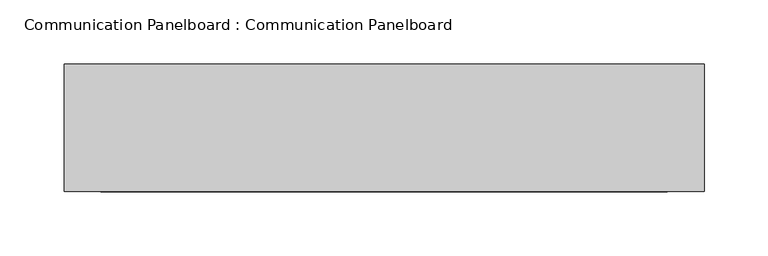
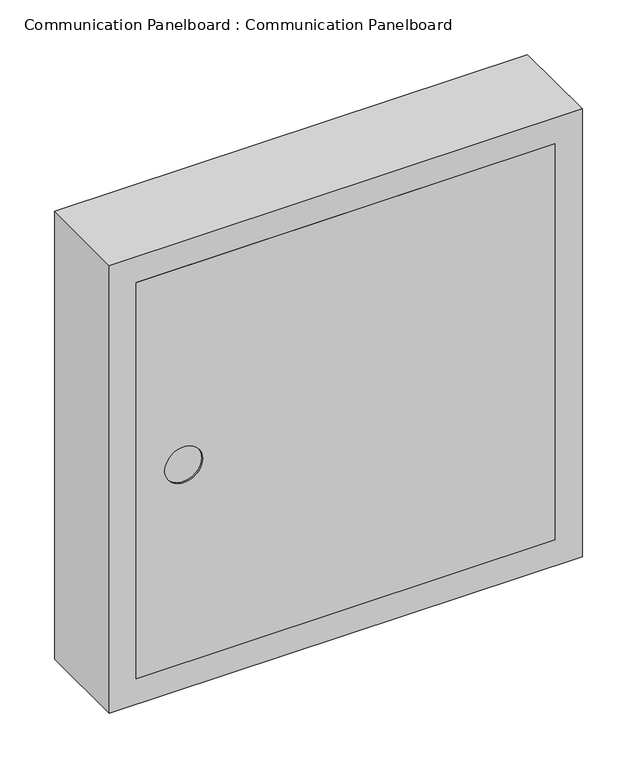
"""IFC4 building model written with IfcOpenShell, lengths in millimetres: proxy geometry, Communication Panelboard : Communication Panelboard."""

from ifc_helpers import new_model, si_unit, frame, origin, place, context, project, spatial, polyline, circle_curve, faceted_brep, source, transform, mapped, element, save
from ifc_brep_helpers import plane_surface, revolved_surface, advanced_brep


def communication_panelboard_communication_panelboard_db055738(model_context):
    return source(origin(), model_context, "Body", "SolidModel", [
        advanced_brep(
        [(221.275, -90.0, 471.0), (221.275, -90.0, 28.725), (-221.275, -90.0, 28.725), (-221.275, -90.0, 471.0), (221.275, -100.0, 471.0), (-221.275, -100.0, 471.0), (-221.275, -100.0, 28.725), (221.275, -100.0, 28.725), (-151.275, -100.0, 250.0), (-191.275, -100.0, 250.0), (-151.275, -98.0, 250.0), (-191.275, -98.0, 250.0)],
        [
            (0, 1),
            (1, 2),
            (2, 3),
            (3, 0),
            (4, 5),
            (5, 6),
            (6, 7),
            (7, 4),
            (8, 9, circle_curve(frame((-171.275, -100.0, 250.0), z_axis=(0.0, 1.0, 0.0), x_axis=(-1.0, 0.0, 0.0)), 20.0)),
            (9, 8, circle_curve(frame((-171.275, -100.0, 250.0), z_axis=(0.0, 1.0, 0.0), x_axis=(-1.0, 0.0, 0.0)), 20.0)),
            (3, 5),
            (4, 0),
            (2, 6),
            (1, 7),
            (10, 11, circle_curve(frame((-171.275, -98.0, 250.0), z_axis=(0.0, -1.0, 0.0), x_axis=(-1.0, 0.0, 0.0)), 20.0)),
            (11, 10, circle_curve(frame((-171.275, -98.0, 250.0), z_axis=(0.0, -1.0, 0.0), x_axis=(-1.0, 0.0, 0.0)), 20.0)),
            (11, 9),
            (8, 10),
        ],
        [
            plane_surface(frame((221.275, -90.0, 471.0), z_axis=(0.0, 1.0, 0.0), x_axis=(0.0, 0.0, -1.0))),
            plane_surface(frame((221.275, -100.0, 471.0), z_axis=(0.0, -1.0, 0.0), x_axis=(0.0, 0.0, 1.0))),
            plane_surface(frame((-221.275, -90.0, 471.0), z_axis=(0.0, 0.0, 1.0), x_axis=(0.0, -1.0, 0.0))),
            plane_surface(frame((-221.275, -90.0, 28.725), z_axis=(-1.0, 0.0, 0.0), x_axis=(0.0, -1.0, 0.0))),
            plane_surface(frame((221.275, -90.0, 28.725), z_axis=(0.0, 0.0, -1.0), x_axis=(0.0, -1.0, 0.0))),
            plane_surface(frame((221.275, -90.0, 471.0), z_axis=(1.0, 0.0, 0.0), x_axis=(0.0, -1.0, 0.0))),
            plane_surface(frame((-191.275, -98.0, 250.0), z_axis=(0.0, -1.0, 0.0), x_axis=(0.0, 0.0, 1.0))),
            revolved_surface(polyline([(-191.275, -98.0, 250.0), (-191.275, -100.0, 250.0)]), (-171.275, -100.0, 250.0), (0.0, 1.0, 0.0)),
        ],
        [
            (0, [[1, 2, 3, 4]]),
            (1, [[5, 6, 7, 8], [9, 10]]),
            (2, [[-4, 11, -5, 12]]),
            (3, [[-3, 13, -6, -11]]),
            (4, [[-2, 14, -7, -13]]),
            (5, [[-1, -12, -8, -14]]),
            (6, [[15, 16]]),
            (7, [[-16, 17, -9, 18]]),
            (7, [[-15, -18, -10, -17]]),
        ],
    ),
        faceted_brep([(250.0, 0.0, 500.0), (250.0, 0.0, 0.0), (-250.0, 0.0, 0.0), (-250.0, 0.0, 500.0), (250.0, -100.0, 500.0), (-250.0, -100.0, 500.0), (-250.0, -100.0, 0.0), (250.0, -100.0, 0.0), (221.275, -100.0, 471.0), (221.275, -100.0, 28.725), (-221.275, -100.0, 28.725), (-221.275, -100.0, 471.0), (221.275, -10.0, 471.0), (221.275, -10.0, 28.725), (-221.275, -10.0, 28.725), (-221.275, -10.0, 471.0)], [[[0, 1, 2, 3]], [[4, 5, 6, 7], [8, 9, 10, 11]], [[0, 3, 5, 4]], [[3, 2, 6, 5]], [[2, 1, 7, 6]], [[1, 0, 4, 7]], [[9, 8, 12, 13]], [[10, 9, 13, 14]], [[11, 10, 14, 15]], [[8, 11, 15, 12]], [[13, 12, 15, 14]]]),
    ])


if __name__ == "__main__":
    model = new_model("IFC4")
    model_context = context("Model", 3, world=origin())
    ifc_project = project(units=[si_unit("LENGTHUNIT", "METRE", prefix="MILLI")], contexts=[model_context])
    site = spatial("IfcSite", under=ifc_project)
    building = spatial("IfcBuilding", under=site)
    placement = place(None, origin())
    communication_panelboard_communication_panelboard_shape = communication_panelboard_communication_panelboard_db055738(model_context)
    element("IfcBuildingElementProxy", 1, Name="Communication Panelboard : Communication Panelboard", ObjectType="Communication Panelboard : Communication Panelboard", at=placement, inside=building, context=model_context, shape_type="MappedRepresentation", body=[
        mapped(communication_panelboard_communication_panelboard_shape, transform((0.0, 0.0, 0.0), x_axis=(1.0, 0.0, 0.0), y_axis=(0.0, 1.0, 0.0), z_axis=(0.0, 0.0, 1.0))),
    ])
    save(model, "model.ifc")
